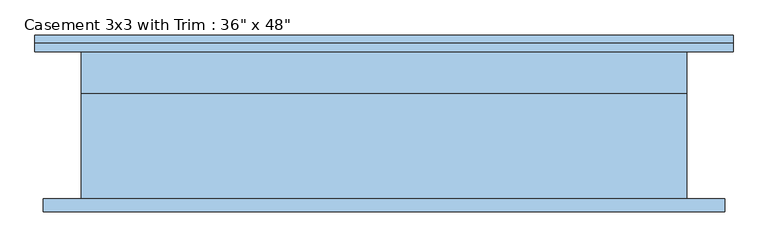
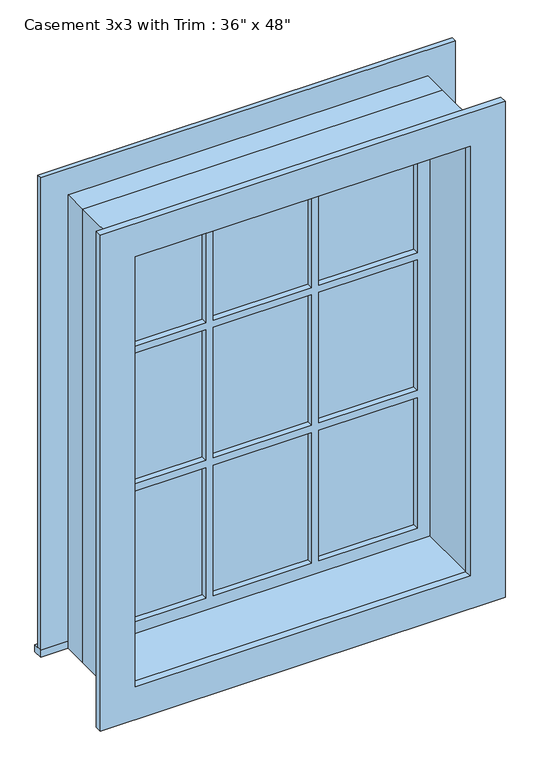
"""IFC4 building model written with IfcOpenShell, lengths in millimetres: window geometry."""

import ifcopenshell
import ifcopenshell.guid

model = None  # the IFC model being written
_history = None  # IfcOwnerHistory: only IFC2X3 demands one
_inside = {}  # id of a spatial element -> (the spatial element, [elements in it])
_under = {}  # id of a project, library or spatial element -> (it, [spatial elements below it])
_declared = {}  # id of a project -> (the project, [libraries it declares])
_typed = {}  # id of a type object -> (the type object, [elements of that type])
_made_of = {}  # id of a material, layer set ... -> (it, [elements and type objects made of it])


def new_model(schema):
    """Start an empty IFC model of exactly this schema.

    Asked for "IFC4X3", IfcOpenShell would pick the latest addendum, in which some entities
    have other attributes; the version numbers below select the first issue.
    IFC2X3 requires an IfcOwnerHistory on every rooted entity: one is made here for all.
    """
    global model, _history
    if schema == "IFC4X3":
        model = ifcopenshell.file(schema_version=(4, 3, 0, 0))
    else:
        model = ifcopenshell.file(schema=schema)
    _inside.clear()
    _under.clear()
    _declared.clear()
    _typed.clear()
    _made_of.clear()
    _history = None
    if model.schema == "IFC2X3":
        org = make("IfcOrganization", Name="unknown")
        user = make(
            "IfcPersonAndOrganization",
            ThePerson=make("IfcPerson", FamilyName="unknown"),
            TheOrganization=org,
        )
        app = make(
            "IfcApplication",
            ApplicationDeveloper=org,
            Version="unknown",
            ApplicationFullName="unknown",
            ApplicationIdentifier="unknown",
        )
        _history = make(
            "IfcOwnerHistory",
            OwningUser=user,
            OwningApplication=app,
            ChangeAction="ADDED",
            CreationDate=0,
        )
    return model


def make(cls, **values):
    """One entity of the class cls with the attributes given. An attribute that is None is left unset."""
    return model.create_entity(
        cls, **{name: value for name, value in values.items() if value is not None}
    )


def rooted(cls, **values):
    """An entity with a GlobalId (a new one), such as an element, a storey or a relation."""
    return make(cls, GlobalId=ifcopenshell.guid.new(), OwnerHistory=_history, **values)


def si_unit(unit_type, name, prefix=None):
    """IfcSIUnit, for example si_unit("LENGTHUNIT", "METRE", prefix="MILLI")."""
    return make("IfcSIUnit", UnitType=unit_type, Prefix=prefix, Name=name)


def assignment(units):
    """IfcUnitAssignment: the units of a project."""
    return None if units is None else make("IfcUnitAssignment", Units=units)


def point(xyz):
    """IfcCartesianPoint."""
    return None if xyz is None else make("IfcCartesianPoint", Coordinates=xyz)


def direction(xyz):
    """IfcDirection."""
    return None if xyz is None else make("IfcDirection", DirectionRatios=xyz)


def frame(location, z_axis=None, x_axis=None):
    """IfcAxis2Placement3D, a coordinate frame: its origin and axes. An axis left out is left unset."""
    return make(
        "IfcAxis2Placement3D",
        Location=point(location),
        Axis=direction(z_axis),
        RefDirection=direction(x_axis),
    )


def origin():
    """The frame at (0, 0, 0) with its axes left unset."""
    return frame((0.0, 0.0, 0.0))


def place(relative_to, where):
    """IfcLocalPlacement: puts the frame where relative to a parent placement (None: the world)."""
    return make(
        "IfcLocalPlacement", PlacementRelTo=relative_to, RelativePlacement=where
    )


def context(
    kind, dimensions, precision=None, world=None, true_north=None, identifier=None
):
    """IfcGeometricRepresentationContext, for example the 3D "Model" context."""
    return make(
        "IfcGeometricRepresentationContext",
        ContextIdentifier=identifier,
        ContextType=kind,
        CoordinateSpaceDimension=dimensions,
        Precision=precision,
        WorldCoordinateSystem=world,
        TrueNorth=true_north,
    )


def project(units=None, contexts=None):
    """IfcProject with its units and contexts."""
    return rooted(
        "IfcProject",
        Name="project",
        RepresentationContexts=contexts,
        UnitsInContext=assignment(units),
    )


def spatial(cls, under=None, at=None, **own):
    """A site, building, storey or space (cls), placed at a placement, below another one or the project."""
    s = rooted(cls, ObjectPlacement=at, **own)
    if under is not None:
        _under.setdefault(under.id(), (under, []))[1].append(s)
    return s


def polyline(points):
    """IfcPolyline through the points."""
    return make("IfcPolyline", Points=[point(p) for p in points])


def outline(outer, holes=None, kind="AREA"):
    """IfcArbitraryClosedProfileDef: a profile drawn as a closed curve; with holes, ...WithVoids."""
    if holes is None:
        return make("IfcArbitraryClosedProfileDef", ProfileType=kind, OuterCurve=outer)
    return make(
        "IfcArbitraryProfileDefWithVoids",
        ProfileType=kind,
        OuterCurve=outer,
        InnerCurves=holes,
    )


def extrude(swept, where, along, depth):
    """IfcExtrudedAreaSolid: the profile swept, set in the frame where, extruded along a direction by depth."""
    return make(
        "IfcExtrudedAreaSolid",
        SweptArea=swept,
        Position=where,
        ExtrudedDirection=direction(along),
        Depth=depth,
    )


def shape(context_of_items, identifier, shape_type, items):
    """IfcShapeRepresentation: the items that make up one representation, for example the "Body"."""
    return make(
        "IfcShapeRepresentation",
        ContextOfItems=context_of_items,
        RepresentationIdentifier=identifier,
        RepresentationType=shape_type,
        Items=items,
    )


def source(mapping_origin, context_of_items, identifier, shape_type, items):
    """IfcRepresentationMap: a shape defined once, which mapped items show again and again."""
    return make(
        "IfcRepresentationMap",
        MappingOrigin=mapping_origin,
        MappedRepresentation=shape(context_of_items, identifier, shape_type, items),
    )


def transform(
    local_origin,
    x_axis=None,
    y_axis=None,
    z_axis=None,
    scale=None,
    scale2=None,
    scale3=None,
    uniform=True,
):
    """IfcCartesianTransformationOperator3D, or its non-uniform kind. x_axis, y_axis, z_axis: its Axis1, 2, 3."""
    if uniform:
        return make(
            "IfcCartesianTransformationOperator3D",
            Axis1=direction(x_axis),
            Axis2=direction(y_axis),
            LocalOrigin=point(local_origin),
            Scale=scale,
            Axis3=direction(z_axis),
        )
    return make(
        "IfcCartesianTransformationOperator3DnonUniform",
        Axis1=direction(x_axis),
        Axis2=direction(y_axis),
        LocalOrigin=point(local_origin),
        Scale=scale,
        Axis3=direction(z_axis),
        Scale2=scale2,
        Scale3=scale3,
    )


def mapped(mapping_source, mapping_target):
    """IfcMappedItem: shows the shape of a source again, moved by a transform."""
    return make(
        "IfcMappedItem", MappingSource=mapping_source, MappingTarget=mapping_target
    )


def made_of(thing, what):
    """Note that an element or type object is made of a material, layer set ...; save() writes the relation."""
    if what is not None:
        _made_of.setdefault(what.id(), (what, []))[1].append(thing)
    return thing


def element(
    cls,
    number,
    at=None,
    inside=None,
    cuts=None,
    type_object=None,
    material=None,
    context=None,
    identifier="Body",
    shape_type=None,
    held_by="IfcProductDefinitionShape",
    body=None,
    shapes=None,
    **own,
):
    """One element of the class cls, such as IfcWall. Its Tag is "e" and its number.

    at: its placement. inside: the storey or other place that contains it. cuts: it is an
    opening in that element (IfcRelVoidsElement). A single representation is given by context,
    identifier, shape_type and body (its items); several are given by shapes. held_by: the class
    of the entity that holds the representations. save() writes the other relations.
    """
    e = rooted(cls, Tag="e%d" % number, ObjectPlacement=at, **own)
    if body is not None:
        shapes = [shape(context, identifier, shape_type, body)]
    if shapes is not None:
        e.Representation = make(held_by, Representations=shapes)
    if inside is not None:
        _inside.setdefault(inside.id(), (inside, []))[1].append(e)
    if cuts is not None:
        rooted(
            "IfcRelVoidsElement", RelatingBuildingElement=cuts, RelatedOpeningElement=e
        )
    if type_object is not None:
        _typed.setdefault(type_object.id(), (type_object, []))[1].append(e)
    return made_of(e, material)


def aggregate(whole, parts):
    """IfcRelAggregates: a whole, such as a stair, and the parts it consists of."""
    return rooted("IfcRelAggregates", RelatingObject=whole, RelatedObjects=parts)


def save(model, path):
    """Write the relations noted so far, then the file.

    IfcRelAggregates (storeys below a building ...), IfcRelContainedInSpatialStructure (elements
    in a storey), IfcRelDefinesByType, IfcRelAssociatesMaterial and IfcRelDeclares: one each for
    every whole, place, type object, material and project.
    """
    for whole, parts in _under.values():
        aggregate(whole, parts)
    for where, things in _inside.values():
        rooted(
            "IfcRelContainedInSpatialStructure",
            RelatedElements=things,
            RelatingStructure=where,
        )
    for kind, things in _typed.values():
        rooted("IfcRelDefinesByType", RelatedObjects=things, RelatingType=kind)
    for what, things in _made_of.values():
        rooted("IfcRelAssociatesMaterial", RelatedObjects=things, RelatingMaterial=what)
    for by, libraries in _declared.values():
        rooted("IfcRelDeclares", RelatingContext=by, RelatedDefinitions=libraries)
    model.write(path)


def window_eef58888(model_context):
    return source(origin(), model_context, "Body", "SweptSolid", [
        extrude(outline(polyline([(-527.05, 136.525), (527.05, 136.525), (527.05, 111.125), (-527.05, 111.125), (-527.05, 136.525)])), frame((0.0, 0.0, 914.4), z_axis=(0.0, 0.0, 1.0), x_axis=(1.0, 0.0, 0.0)), (0.0, 0.0, 1.0), 19.05),
        extrude(outline(polyline([(2114.55, -438.15), (2114.55, 438.15), (933.45, 438.15), (933.45, 527.05), (2203.45, 527.05), (2203.45, -527.05), (933.45, -527.05), (933.45, -438.15), (2114.55, -438.15)])), frame((0.0, 111.125, 0.0), z_axis=(0.0, 1.0, 0.0), x_axis=(0.0, 0.0, 1.0)), (0.0, 0.0, 1.0), 12.7),
        extrude(outline(polyline([(143.9333333, 76.2), (393.7, 76.2), (393.7, 63.5), (143.9333333, 63.5), (143.9333333, 76.2)])), frame((0.0, 0.0, 1718.7333333), z_axis=(0.0, 0.0, 1.0), x_axis=(1.0, 0.0, 0.0)), (0.0, 0.0, 1.0), 351.3666667),
        extrude(outline(polyline([(-124.8833333, 76.2), (124.8833333, 76.2), (124.8833333, 63.5), (-124.8833333, 63.5), (-124.8833333, 76.2)])), frame((0.0, 0.0, 1718.7333333), z_axis=(0.0, 0.0, 1.0), x_axis=(1.0, 0.0, 0.0)), (0.0, 0.0, 1.0), 351.3666667),
        extrude(outline(polyline([(-393.7, 76.2), (-143.9333333, 76.2), (-143.9333333, 63.5), (-393.7, 63.5), (-393.7, 76.2)])), frame((0.0, 0.0, 1718.7333333), z_axis=(0.0, 0.0, 1.0), x_axis=(1.0, 0.0, 0.0)), (0.0, 0.0, 1.0), 351.3666667),
        extrude(outline(polyline([(-393.7, 76.2), (-143.9333333, 76.2), (-143.9333333, 63.5), (-393.7, 63.5), (-393.7, 76.2)])), frame((0.0, 0.0, 1348.3166667), z_axis=(0.0, 0.0, 1.0), x_axis=(1.0, 0.0, 0.0)), (0.0, 0.0, 1.0), 351.3666667),
        extrude(outline(polyline([(-124.8833333, 76.2), (124.8833333, 76.2), (124.8833333, 63.5), (-124.8833333, 63.5), (-124.8833333, 76.2)])), frame((0.0, 0.0, 1348.3166667), z_axis=(0.0, 0.0, 1.0), x_axis=(1.0, 0.0, 0.0)), (0.0, 0.0, 1.0), 351.3666667),
        extrude(outline(polyline([(143.9333333, 76.2), (393.7, 76.2), (393.7, 63.5), (143.9333333, 63.5), (143.9333333, 76.2)])), frame((0.0, 0.0, 1348.3166667), z_axis=(0.0, 0.0, 1.0), x_axis=(1.0, 0.0, 0.0)), (0.0, 0.0, 1.0), 351.3666667),
        extrude(outline(polyline([(143.9333333, 76.2), (393.7, 76.2), (393.7, 63.5), (143.9333333, 63.5), (143.9333333, 76.2)])), frame((0.0, 0.0, 977.9), z_axis=(0.0, 0.0, 1.0), x_axis=(1.0, 0.0, 0.0)), (0.0, 0.0, 1.0), 351.3666667),
        extrude(outline(polyline([(-124.8833333, 76.2), (124.8833333, 76.2), (124.8833333, 63.5), (-124.8833333, 63.5), (-124.8833333, 76.2)])), frame((0.0, 0.0, 977.9), z_axis=(0.0, 0.0, 1.0), x_axis=(1.0, 0.0, 0.0)), (0.0, 0.0, 1.0), 351.3666667),
        extrude(outline(polyline([(-393.7, 76.2), (-143.9333333, 76.2), (-143.9333333, 63.5), (-393.7, 63.5), (-393.7, 76.2)])), frame((0.0, 0.0, 977.9), z_axis=(0.0, 0.0, 1.0), x_axis=(1.0, 0.0, 0.0)), (0.0, 0.0, 1.0), 351.3666667),
        extrude(outline(polyline([(2190.75, 514.35), (2190.75, -514.35), (857.25, -514.35), (857.25, 514.35), (2190.75, 514.35)]), holes=[polyline([(2101.85, 425.45), (946.15, 425.45), (946.15, -425.45), (2101.85, -425.45), (2101.85, 425.45)])]), frame((0.0, -130.175, 0.0), z_axis=(0.0, 1.0, 0.0), x_axis=(0.0, 0.0, 1.0)), (0.0, 0.0, 1.0), 19.05),
        extrude(outline(polyline([(2114.55, -438.15), (933.45, -438.15), (933.45, 438.15), (2114.55, 438.15), (2114.55, -438.15)]), holes=[polyline([(2070.1, -143.9333333), (1718.7333333, -143.9333333), (1718.7333333, -393.7), (2070.1, -393.7), (2070.1, -143.9333333)]), polyline([(1699.6833333, -143.9333333), (1348.3166667, -143.9333333), (1348.3166667, -393.7), (1699.6833333, -393.7), (1699.6833333, -143.9333333)]), polyline([(1329.2666667, -143.9333333), (977.9, -143.9333333), (977.9, -393.7), (1329.2666667, -393.7), (1329.2666667, -143.9333333)]), polyline([(2070.1, 124.8833333), (1718.7333333, 124.8833333), (1718.7333333, -124.8833333), (2070.1, -124.8833333), (2070.1, 124.8833333)]), polyline([(1699.6833333, 124.8833333), (1348.3166667, 124.8833333), (1348.3166667, -124.8833333), (1699.6833333, -124.8833333), (1699.6833333, 124.8833333)]), polyline([(1329.2666667, 124.8833333), (977.9, 124.8833333), (977.9, -124.8833333), (1329.2666667, -124.8833333), (1329.2666667, 124.8833333)]), polyline([(2070.1, 393.7), (1718.7333333, 393.7), (1718.7333333, 143.9333333), (2070.1, 143.9333333), (2070.1, 393.7)]), polyline([(1699.6833333, 393.7), (1348.3166667, 393.7), (1348.3166667, 143.9333333), (1699.6833333, 143.9333333), (1699.6833333, 393.7)]), polyline([(1329.2666667, 393.7), (977.9, 393.7), (977.9, 143.9333333), (1329.2666667, 143.9333333), (1329.2666667, 393.7)])]), frame((0.0, 47.625, 0.0), z_axis=(0.0, 1.0, 0.0), x_axis=(0.0, 0.0, 1.0)), (0.0, 0.0, 1.0), 44.45),
        extrude(outline(polyline([(2133.6, -457.2), (914.4, -457.2), (914.4, 457.2), (2133.6, 457.2), (2133.6, -457.2)]), holes=[polyline([(2101.85, -425.45), (2101.85, 425.45), (946.15, 425.45), (946.15, -425.45), (2101.85, -425.45)])]), frame((0.0, -111.125, 0.0), z_axis=(0.0, 1.0, 0.0), x_axis=(0.0, 0.0, 1.0)), (0.0, 0.0, 1.0), 158.75),
        extrude(outline(polyline([(2133.6, 457.2), (2133.6, -457.2), (914.4, -457.2), (914.4, 457.2), (2133.6, 457.2)]), holes=[polyline([(2114.55, 438.15), (933.45, 438.15), (933.45, -438.15), (2114.55, -438.15), (2114.55, 438.15)])]), frame((0.0, 47.625, 0.0), z_axis=(0.0, 1.0, 0.0), x_axis=(0.0, 0.0, 1.0)), (0.0, 0.0, 1.0), 63.5),
    ])


if __name__ == "__main__":
    model = new_model("IFC4")
    model_context = context("Model", 3, world=origin())
    ifc_project = project(units=[si_unit("LENGTHUNIT", "METRE", prefix="MILLI")], contexts=[model_context])
    site = spatial("IfcSite", under=ifc_project)
    building = spatial("IfcBuilding", under=site)
    placement = place(None, origin())
    window_shape = window_eef58888(model_context)
    element("IfcWindow", 1, ObjectType="Casement 3x3 with Trim : 36\" x 48\"", at=placement, inside=building, context=model_context, shape_type="MappedRepresentation", body=[
        mapped(window_shape, transform((0.0, 0.0, 0.0), x_axis=(1.0, 0.0, 0.0), y_axis=(0.0, 1.0, 0.0), z_axis=(0.0, 0.0, 1.0))),
    ])
    save(model, "model.ifc")
